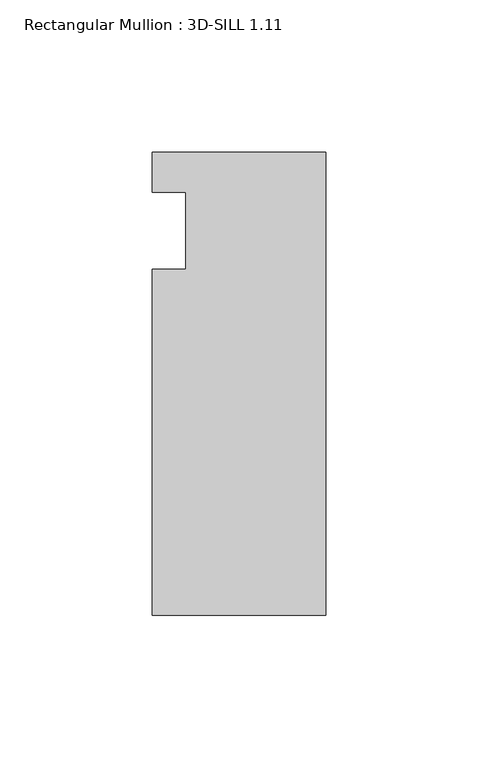
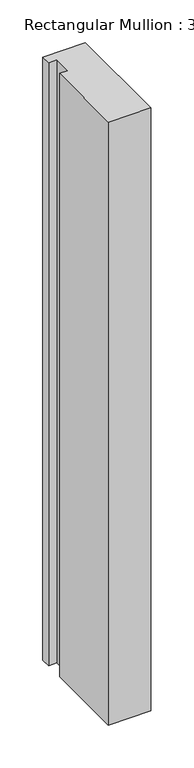
"""IFC4 building model written with IfcOpenShell, lengths in millimetres: member geometry, Rectangular Mullion : 3D-SILL 1.11."""

from ifc_helpers import new_model, si_unit, frame, origin, place, context, project, spatial, polyline, outline, extrude, source, transform, mapped, element, save


def rectangular_mullion_3d_sill_1_11_c6bc2515(model_context):
    return source(origin(), model_context, "Body", "SweptSolid", [
        extrude(outline(polyline([(-57.15, 76.2), (0.0, 76.2), (0.0, -76.2), (-57.15, -76.2), (-57.15, 37.6047), (-46.0375, 37.6047), (-46.0375, 63.0047), (-57.15, 63.0047), (-57.15, 76.2)])), frame((0.0, 0.0, -857.25), z_axis=(0.0, 0.0, 1.0), x_axis=(1.0, 0.0, 0.0)), (0.0, 0.0, 1.0), 857.25),
    ])


if __name__ == "__main__":
    model = new_model("IFC4")
    model_context = context("Model", 3, world=origin())
    ifc_project = project(units=[si_unit("LENGTHUNIT", "METRE", prefix="MILLI")], contexts=[model_context])
    site = spatial("IfcSite", under=ifc_project)
    building = spatial("IfcBuilding", under=site)
    placement = place(None, origin())
    rectangular_mullion_3d_sill_1_11_shape = rectangular_mullion_3d_sill_1_11_c6bc2515(model_context)
    element("IfcMember", 1, ObjectType="Rectangular Mullion : 3D-SILL 1.11", at=placement, inside=building, context=model_context, shape_type="MappedRepresentation", body=[
        mapped(rectangular_mullion_3d_sill_1_11_shape, transform((0.0, 0.0, 0.0), x_axis=(1.0, 0.0, 0.0), y_axis=(0.0, 1.0, 0.0), z_axis=(0.0, 0.0, 1.0))),
    ])
    save(model, "model.ifc")
